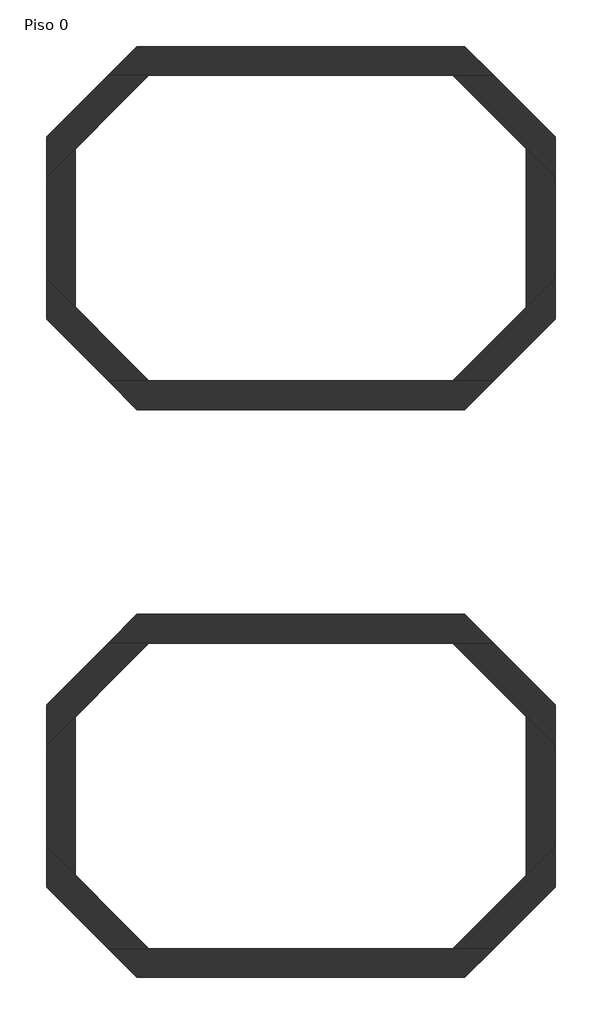
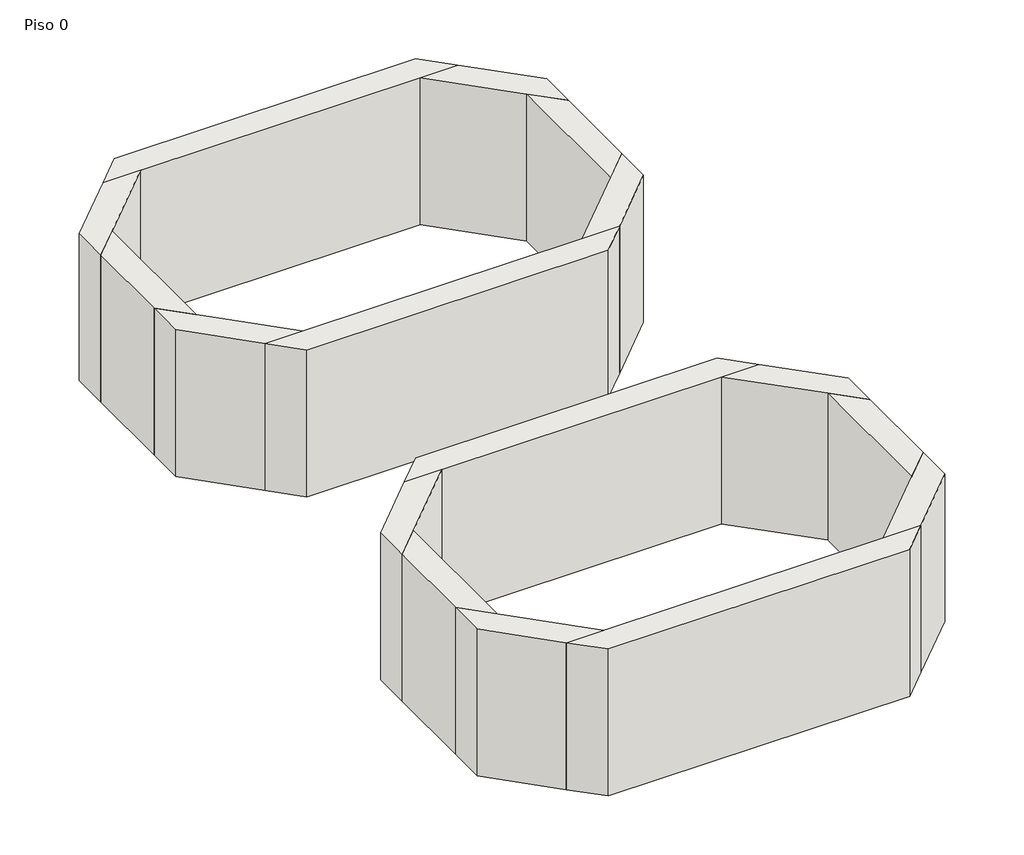
# One storey: 17 walls.
"""IFC4 building model written with IfcOpenShell, lengths in millimetres."""

from ifc_helpers import new_model, si_unit, origin, origin_with_axes, place, context, project, spatial, polyline, outline, extrude, faceted_brep, element, save

model = new_model("IFC4")

# Units and contexts
model_context = context("Model", 3, world=origin())
ifc_project = project(units=[si_unit("LENGTHUNIT", "METRE", prefix="MILLI")], contexts=[model_context])

# Site, building, storey
site = spatial("IfcSite", under=ifc_project)
building = spatial("IfcBuilding", under=site)
storey = spatial("IfcBuildingStorey", under=building, Name="Piso 0", Elevation=0.0)

# Walls
placement = place(None, origin())
element("IfcWall", 1, ObjectType="Interior - 11 cm 2", at=placement, inside=storey, context=model_context, shape_type="Brep", body=[
    faceted_brep([(-3258.8386916, -6195.9661063, 0.0), (2168.9897058, -6195.9661063, 0.0), (2168.9897058, -6195.9661063, 2800.0), (-3258.8386916, -6195.9661063, 2800.0), (-3736.4386916, -5718.3661063, 0.0), (-3736.4386916, -5718.3661063, 2800.0), (-3061.0102942, -5718.3661063, 2800.0), (1971.1613084, -5718.3661063, 2800.0), (2646.5897058, -5718.3661063, 2800.0), (2646.5897058, -5718.3661063, 0.0), (1971.1613084, -5718.3661063, 0.0), (-3061.0102942, -5718.3661063, 0.0)], [[[0, 1, 2, 3]], [[4, 5, 6, 7, 8, 9, 10, 11]], [[1, 0, 4, 11, 10, 9]], [[3, 2, 8, 7, 6, 5]], [[2, 1, 9, 8]], [[0, 3, 5, 4]]]),
])
element("IfcWall", 2, ObjectType="Interior - 11 cm 2", at=placement, inside=storey, context=model_context, shape_type="Brep", body=[
    faceted_brep([(2646.5897058, -5718.3661063, 0.0), (3664.984972, -4699.9708401, 0.0), (3664.984972, -4699.9708401, 2800.0), (2646.5897058, -5718.3661063, 2800.0), (1971.1613084, -5718.3661063, 0.0), (1971.1613084, -5718.3661063, 2800.0), (3187.384972, -4502.1424427, 2800.0), (3664.984972, -4024.5424427, 2800.0), (3664.984972, -4024.5424427, 0.0), (3187.384972, -4502.1424427, 0.0)], [[[0, 1, 2, 3]], [[4, 5, 6, 7, 8, 9]], [[1, 0, 4, 9, 8]], [[3, 2, 7, 6, 5]], [[0, 3, 5, 4]], [[2, 1, 8, 7]]]),
])
element("IfcWall", 3, ObjectType="Interior - 11 cm 2", at=placement, inside=storey, context=model_context, shape_type="SweptSolid", body=[
    extrude(outline(polyline([(3664.984972, -2357.5708401), (3664.984972, -4024.5424427), (3187.384972, -4502.1424427), (3187.384972, -1879.9708401), (3664.984972, -2357.5708401)])), origin_with_axes(), (0.0, 0.0, 1.0), 2800.0),
])
element("IfcWall", 4, ObjectType="Interior - 11 cm 2", at=placement, inside=storey, context=model_context, shape_type="Brep", body=[
    faceted_brep([(-3736.4386916, -663.7471764, 0.0), (-3061.0102942, -663.7471764, 0.0), (1971.1613084, -663.7471764, 0.0), (2646.5897058, -663.7471764, 0.0), (2646.5897058, -663.7471764, 2800.0), (1971.1613084, -663.7471764, 2800.0), (-3061.0102942, -663.7471764, 2800.0), (-3736.4386916, -663.7471764, 2800.0), (-3258.8386916, -186.1471764, 0.0), (-3258.8386916, -186.1471764, 2800.0), (2168.9897058, -186.1471764, 2800.0), (2168.9897058, -186.1471764, 0.0)], [[[0, 1, 2, 3, 4, 5, 6, 7]], [[8, 9, 10, 11]], [[3, 2, 1, 0, 8, 11]], [[7, 6, 5, 4, 10, 9]], [[4, 3, 11, 10]], [[0, 7, 9, 8]]]),
])
element("IfcWall", 5, ObjectType="Interior - 11 cm 2", at=placement, inside=storey, context=model_context, shape_type="Brep", body=[
    faceted_brep([(1971.1613084, -663.7471764, 0.0), (3187.384972, -1879.9708401, 0.0), (3664.984972, -2357.5708401, 0.0), (3664.984972, -2357.5708401, 2800.0), (3187.384972, -1879.9708401, 2800.0), (1971.1613084, -663.7471764, 2800.0), (2646.5897058, -663.7471764, 0.0), (2646.5897058, -663.7471764, 2800.0), (3664.984972, -1682.1424427, 2800.0), (3664.984972, -1682.1424427, 0.0)], [[[0, 1, 2, 3, 4, 5]], [[6, 7, 8, 9]], [[2, 1, 0, 6, 9]], [[5, 4, 3, 8, 7]], [[0, 5, 7, 6]], [[3, 2, 9, 8]]]),
])
element("IfcWall", 6, ObjectType="Interior - 11 cm 2", at=placement, inside=storey, context=model_context, shape_type="Brep", body=[
    faceted_brep([(-3061.0102942, -5718.3661063, 0.0), (-4277.2339579, -4502.1424427, 0.0), (-4754.8339579, -4024.5424427, 0.0), (-4754.8339579, -4024.5424427, 2800.0), (-4277.2339579, -4502.1424427, 2800.0), (-3061.0102942, -5718.3661063, 2800.0), (-3736.4386916, -5718.3661063, 0.0), (-3736.4386916, -5718.3661063, 2800.0), (-4754.8339579, -4699.9708401, 2800.0), (-4754.8339579, -4699.9708401, 0.0)], [[[0, 1, 2, 3, 4, 5]], [[6, 7, 8, 9]], [[2, 1, 0, 6, 9]], [[5, 4, 3, 8, 7]], [[3, 2, 9, 8]], [[0, 5, 7, 6]]]),
])
element("IfcWall", 7, ObjectType="Interior - 11 cm 2", at=placement, inside=storey, context=model_context, shape_type="SweptSolid", body=[
    extrude(outline(polyline([(-4277.2339579, -1879.9708401), (-4277.2339579, -4502.1424427), (-4754.8339579, -4024.5424427), (-4754.8339579, -2357.5708401), (-4277.2339579, -1879.9708401)])), origin_with_axes(), (0.0, 0.0, 1.0), 2800.0),
])
element("IfcWall", 8, ObjectType="Interior - 11 cm 2", at=placement, inside=storey, context=model_context, shape_type="Brep", body=[
    faceted_brep([(-3736.4386916, -663.7471764, 0.0), (-4754.8339579, -1682.1424427, 0.0), (-4754.8339579, -1682.1424427, 2800.0), (-3736.4386916, -663.7471764, 2800.0), (-3061.0102942, -663.7471764, 0.0), (-3061.0102942, -663.7471764, 2800.0), (-4277.2339579, -1879.9708401, 2800.0), (-4754.8339579, -2357.5708401, 2800.0), (-4754.8339579, -2357.5708401, 0.0), (-4277.2339579, -1879.9708401, 0.0)], [[[0, 1, 2, 3]], [[4, 5, 6, 7, 8, 9]], [[1, 0, 4, 9, 8]], [[3, 2, 7, 6, 5]], [[2, 1, 8, 7]], [[0, 3, 5, 4]]]),
])
element("IfcWall", 9, ObjectType="Interior - 11 cm 2", at=placement, inside=storey, context=model_context, shape_type="Brep", body=[
    faceted_brep([(-3258.8386916, 3204.0338937, 0.0), (2168.9897058, 3204.0338937, 0.0), (2168.9897058, 3204.0338937, 2800.0), (-3258.8386916, 3204.0338937, 2800.0), (-3736.4386916, 3681.6338937, 0.0), (-3736.4386916, 3681.6338937, 2800.0), (-3061.0102942, 3681.6338937, 2800.0), (1971.1613084, 3681.6338937, 2800.0), (2646.5897058, 3681.6338937, 2800.0), (2646.5897058, 3681.6338937, 0.0), (1971.1613084, 3681.6338937, 0.0), (-3061.0102942, 3681.6338937, 0.0)], [[[0, 1, 2, 3]], [[4, 5, 6, 7, 8, 9, 10, 11]], [[1, 0, 4, 11, 10, 9]], [[3, 2, 8, 7, 6, 5]], [[2, 1, 9, 8]], [[0, 3, 5, 4]]]),
])
element("IfcWall", 10, ObjectType="Interior - 11 cm 2", at=placement, inside=storey, context=model_context, shape_type="Brep", body=[
    faceted_brep([(2646.5897058, 3681.6338937, 0.0), (3664.984972, 4700.0291599, 0.0), (3664.984972, 4700.0291599, 2800.0), (2646.5897058, 3681.6338937, 2800.0), (1971.1613084, 3681.6338937, 0.0), (1971.1613084, 3681.6338937, 2800.0), (3187.384972, 4897.8575573, 2800.0), (3664.984972, 5375.4575573, 2800.0), (3664.984972, 5375.4575573, 0.0), (3187.384972, 4897.8575573, 0.0)], [[[0, 1, 2, 3]], [[4, 5, 6, 7, 8, 9]], [[1, 0, 4, 9, 8]], [[3, 2, 7, 6, 5]], [[0, 3, 5, 4]], [[2, 1, 8, 7]]]),
])
element("IfcWall", 11, ObjectType="Interior - 11 cm 2", at=placement, inside=storey, context=model_context, shape_type="SweptSolid", body=[
    extrude(outline(polyline([(3664.984972, 7042.4291599), (3664.984972, 5375.4575573), (3187.384972, 4897.8575573), (3187.384972, 7520.0291599), (3664.984972, 7042.4291599)])), origin_with_axes(), (0.0, 0.0, 1.0), 2800.0),
])
element("IfcWall", 12, ObjectType="Interior - 11 cm 2", at=placement, inside=storey, context=model_context, shape_type="Brep", body=[
    faceted_brep([(-3736.4386916, 8736.2528236, 0.0), (-3061.0102942, 8736.2528236, 0.0), (1971.1613084, 8736.2528236, 0.0), (2646.5897058, 8736.2528236, 0.0), (2646.5897058, 8736.2528236, 2800.0), (1971.1613084, 8736.2528236, 2800.0), (-3061.0102942, 8736.2528236, 2800.0), (-3736.4386916, 8736.2528236, 2800.0), (-3258.8386916, 9213.8528236, 0.0), (-3258.8386916, 9213.8528236, 2800.0), (2168.9897058, 9213.8528236, 2800.0), (2168.9897058, 9213.8528236, 0.0)], [[[0, 1, 2, 3, 4, 5, 6, 7]], [[8, 9, 10, 11]], [[3, 2, 1, 0, 8, 11]], [[7, 6, 5, 4, 10, 9]], [[4, 3, 11, 10]], [[0, 7, 9, 8]]]),
])
element("IfcWall", 13, ObjectType="Interior - 11 cm 2", at=placement, inside=storey, context=model_context, shape_type="Brep", body=[
    faceted_brep([(1971.1613084, 8736.2528236, 0.0), (3187.384972, 7520.0291599, 0.0), (3664.984972, 7042.4291599, 0.0), (3664.984972, 7042.4291599, 2800.0), (3187.384972, 7520.0291599, 2800.0), (1971.1613084, 8736.2528236, 2800.0), (2646.5897058, 8736.2528236, 0.0), (2646.5897058, 8736.2528236, 2800.0), (3664.984972, 7717.8575573, 2800.0), (3664.984972, 7717.8575573, 0.0)], [[[0, 1, 2, 3, 4, 5]], [[6, 7, 8, 9]], [[2, 1, 0, 6, 9]], [[5, 4, 3, 8, 7]], [[0, 5, 7, 6]], [[3, 2, 9, 8]]]),
])
element("IfcWall", 14, ObjectType="Interior - 11 cm 2", at=placement, inside=storey, context=model_context, shape_type="Brep", body=[
    faceted_brep([(-3061.0102942, 3681.6338937, 0.0), (-4277.2339579, 4897.8575573, 0.0), (-4754.8339579, 5375.4575573, 0.0), (-4754.8339579, 5375.4575573, 2800.0), (-4277.2339579, 4897.8575573, 2800.0), (-3061.0102942, 3681.6338937, 2800.0), (-3736.4386916, 3681.6338937, 0.0), (-3736.4386916, 3681.6338937, 2800.0), (-4754.8339579, 4700.0291599, 2800.0), (-4754.8339579, 4700.0291599, 0.0)], [[[0, 1, 2, 3, 4, 5]], [[6, 7, 8, 9]], [[2, 1, 0, 6, 9]], [[5, 4, 3, 8, 7]], [[3, 2, 9, 8]], [[0, 5, 7, 6]]]),
])
element("IfcWall", 15, ObjectType="Interior - 11 cm 2", at=placement, inside=storey, context=model_context, shape_type="SweptSolid", body=[
    extrude(outline(polyline([(-4277.2339579, 7520.0291599), (-4277.2339579, 4897.8575573), (-4754.8339579, 5375.4575573), (-4754.8339579, 7042.4291599), (-4277.2339579, 7520.0291599)])), origin_with_axes(), (0.0, 0.0, 1.0), 2800.0),
])
element("IfcWall", 16, ObjectType="Interior - 11 cm 2", at=placement, inside=storey, context=model_context, shape_type="Brep", body=[
    faceted_brep([(-3736.4386916, 8736.2528236, 0.0), (-4754.8339579, 7717.8575573, 0.0), (-4754.8339579, 7717.8575573, 2800.0), (-3736.4386916, 8736.2528236, 2800.0), (-3061.0102942, 8736.2528236, 0.0), (-3061.0102942, 8736.2528236, 2800.0), (-4277.2339579, 7520.0291599, 2800.0), (-4754.8339579, 7042.4291599, 2800.0), (-4754.8339579, 7042.4291599, 0.0), (-4277.2339579, 7520.0291599, 0.0)], [[[0, 1, 2, 3]], [[4, 5, 6, 7, 8, 9]], [[1, 0, 4, 9, 8]], [[3, 2, 7, 6, 5]], [[2, 1, 8, 7]], [[0, 3, 5, 4]]]),
])
element("IfcWall", 17, ObjectType="Interior - 11 cm 2", at=placement, inside=storey, context=model_context, shape_type="SweptSolid", body=[
    extrude(outline(polyline([(-4277.2339579, 7520.0291599), (-4277.2339579, 4897.8575573), (-4754.8339579, 5375.4575573), (-4754.8339579, 7042.4291599), (-4277.2339579, 7520.0291599)])), origin_with_axes(), (0.0, 0.0, 1.0), 2800.0),
])

save(model, "model.ifc")
